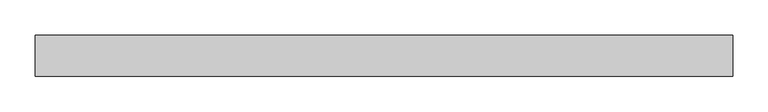
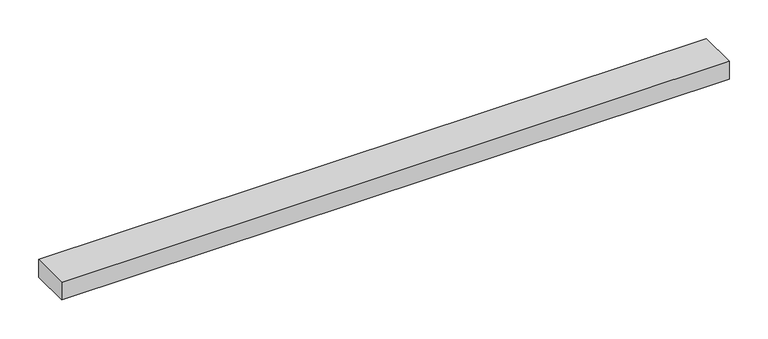
"""IFC4 building model written with IfcOpenShell, lengths in millimetres: proxy geometry."""

from ifc_helpers import new_model, si_unit, frame, origin, place, context, project, spatial, polyline, outline, extrude, source, transform, mapped, element, save


def specialty_equipment_f77312b5(model_context):
    return source(origin(), model_context, "Body", "SweptSolid", [
        extrude(outline(polyline([(-495.3, 29.2199219), (495.3, 29.2199219), (495.3, -29.2199219), (-495.3, -29.2199219), (-495.3, 29.2199219)])), frame((0.0, 0.0, -13.9898438), z_axis=(0.0, 0.0, 1.0), x_axis=(1.0, 0.0, 0.0)), (0.0, 0.0, 1.0), 27.9796875),
    ])


if __name__ == "__main__":
    model = new_model("IFC4")
    model_context = context("Model", 3, world=origin())
    ifc_project = project(units=[si_unit("LENGTHUNIT", "METRE", prefix="MILLI")], contexts=[model_context])
    site = spatial("IfcSite", under=ifc_project)
    building = spatial("IfcBuilding", under=site)
    placement = place(None, origin())
    specialty_equipment_shape = specialty_equipment_f77312b5(model_context)
    element("IfcBuildingElementProxy", 1, Name="Specialty Equipment", at=placement, inside=building, context=model_context, shape_type="MappedRepresentation", body=[
        mapped(specialty_equipment_shape, transform((0.0, 0.0, 0.0), x_axis=(1.0, 0.0, 0.0), y_axis=(0.0, 1.0, 0.0), z_axis=(0.0, 0.0, 1.0))),
    ])
    save(model, "model.ifc")
